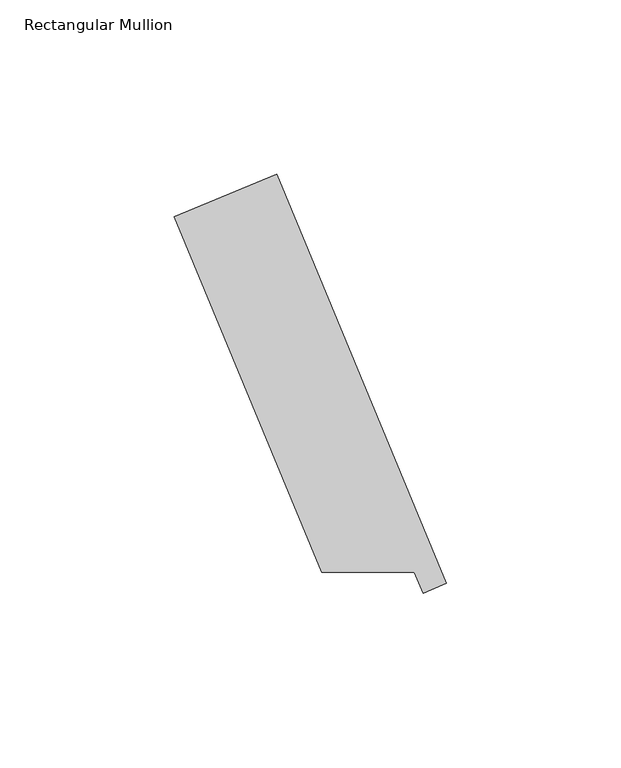
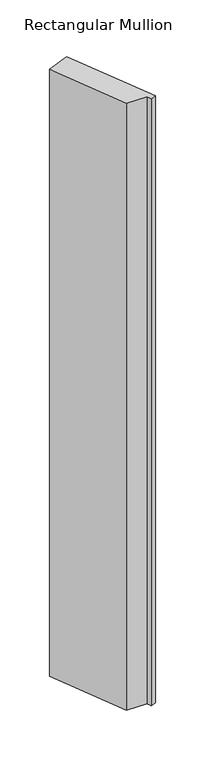
"""IFC4 building model written with IfcOpenShell, lengths in millimetres: member geometry, Rectangular Mullion."""

from ifc_helpers import new_model, si_unit, frame, origin, place, context, project, spatial, polyline, outline, extrude, source, transform, mapped, element, save


def rectangular_mullion_4f438f8d(model_context):
    return source(origin(), model_context, "Body", "SweptSolid", [
        extrude(outline(polyline([(-11.8743633, 29.3725968), (-18.5138847, 26.622417), (-20.9665811, 32.54375), (-47.5538503, 32.54375), (-89.7782218, 134.4824003), (-60.4450466, 146.6325993), (-11.8743633, 29.3725968)])), frame((0.0, 0.0, -838.2), z_axis=(0.0, 0.0, 1.0), x_axis=(1.0, 0.0, 0.0)), (0.0, 0.0, 1.0), 838.2),
    ])


if __name__ == "__main__":
    model = new_model("IFC4")
    model_context = context("Model", 3, world=origin())
    ifc_project = project(units=[si_unit("LENGTHUNIT", "METRE", prefix="MILLI")], contexts=[model_context])
    site = spatial("IfcSite", under=ifc_project)
    building = spatial("IfcBuilding", under=site)
    placement = place(None, origin())
    rectangular_mullion_shape = rectangular_mullion_4f438f8d(model_context)
    element("IfcMember", 1, ObjectType="Rectangular Mullion", at=placement, inside=building, context=model_context, shape_type="MappedRepresentation", body=[
        mapped(rectangular_mullion_shape, transform((0.0, 0.0, 0.0), x_axis=(1.0, 0.0, 0.0), y_axis=(0.0, 1.0, 0.0), z_axis=(0.0, 0.0, 1.0))),
    ])
    save(model, "model.ifc")
